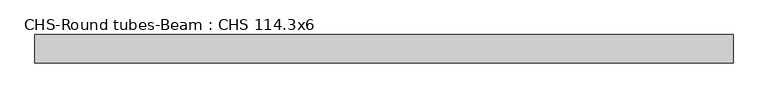
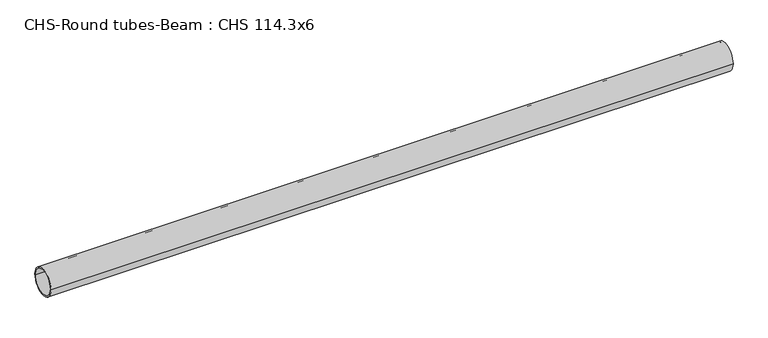
"""IFC4 building model written with IfcOpenShell, lengths in millimetres: beam geometry, CHS-Round tubes-Beam : CHS 114.3x6."""

from ifc_helpers import new_model, si_unit, point, frame, origin, origin_2d, place, context, project, spatial, circle_curve, trimmed, segment, composite_curve, outline, extrude, source, transform, mapped, element, save


def chs_round_tubes_beam_chs_114_3x6_9e449af7(model_context):
    return source(origin(), model_context, "Body", "SweptSolid", [
        extrude(outline(composite_curve([segment(trimmed(circle_curve(origin_2d(), 57.15), [point((57.15, 0.0))], [point((-57.15, 0.0))], False, "CARTESIAN"), True, "CONTINUOUS"), segment(trimmed(circle_curve(origin_2d(), 57.15), [point((-57.15, 0.0))], [point((57.15, 0.0))], False, "CARTESIAN"), True, "CONTINUOUS")], self_intersect=False), holes=[composite_curve([segment(trimmed(circle_curve(origin_2d(), 51.15), [point((51.15, 0.0))], [point((-51.15, 0.0))], True, "CARTESIAN"), True, "CONTINUOUS"), segment(trimmed(circle_curve(origin_2d(), 51.15), [point((-51.15, 0.0))], [point((51.15, 0.0))], True, "CARTESIAN"), True, "CONTINUOUS")], self_intersect=False)]), frame((-1410.8942243, 0.0, 0.0), z_axis=(1.0, 0.0, 0.0), x_axis=(0.0, 1.0, 0.0)), (0.0, 0.0, 1.0), 2807.4430952),
    ])


if __name__ == "__main__":
    model = new_model("IFC4")
    model_context = context("Model", 3, world=origin())
    ifc_project = project(units=[si_unit("LENGTHUNIT", "METRE", prefix="MILLI")], contexts=[model_context])
    site = spatial("IfcSite", under=ifc_project)
    building = spatial("IfcBuilding", under=site)
    placement = place(None, origin())
    chs_round_tubes_beam_chs_114_3x6_shape = chs_round_tubes_beam_chs_114_3x6_9e449af7(model_context)
    element("IfcBeam", 1, ObjectType="CHS-Round tubes-Beam : CHS 114.3x6", at=placement, inside=building, context=model_context, shape_type="MappedRepresentation", body=[
        mapped(chs_round_tubes_beam_chs_114_3x6_shape, transform((0.0, 0.0, 0.0), x_axis=(1.0, 0.0, 0.0), y_axis=(0.0, 1.0, 0.0), z_axis=(0.0, 0.0, 1.0))),
    ])
    save(model, "model.ifc")
